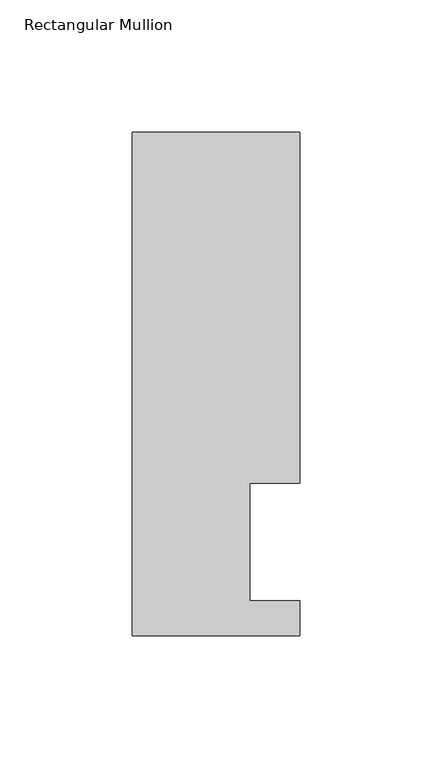
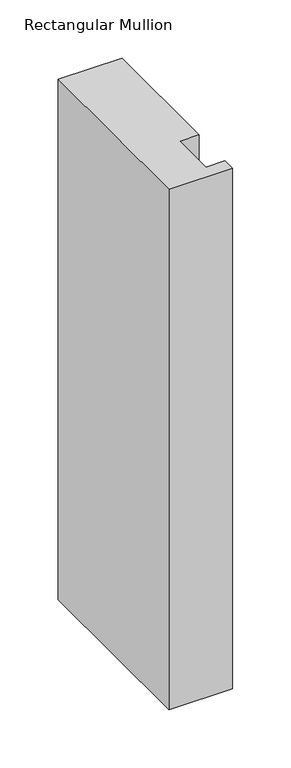
"""IFC4 building model written with IfcOpenShell, lengths in millimetres: member geometry, Rectangular Mullion."""

from ifc_helpers import new_model, si_unit, frame, origin, place, context, project, spatial, polyline, outline, extrude, source, transform, mapped, element, save


def rectangular_mullion_9437ef4c(model_context):
    return source(origin(), model_context, "Body", "SweptSolid", [
        extrude(outline(polyline([(0.0, 57.6460937), (-19.0373, 57.6460937), (-19.0373, 13.1960938), (0.0, 13.1960938), (0.0, 0.0134938), (-63.5, 0.0134938), (-63.5, 190.5896938), (0.0, 190.5896938), (0.0, 57.6460937)])), frame((0.0, 0.0, -546.1), z_axis=(0.0, 0.0, 1.0), x_axis=(1.0, 0.0, 0.0)), (0.0, 0.0, 1.0), 546.1),
    ])


if __name__ == "__main__":
    model = new_model("IFC4")
    model_context = context("Model", 3, world=origin())
    ifc_project = project(units=[si_unit("LENGTHUNIT", "METRE", prefix="MILLI")], contexts=[model_context])
    site = spatial("IfcSite", under=ifc_project)
    building = spatial("IfcBuilding", under=site)
    placement = place(None, origin())
    rectangular_mullion_shape = rectangular_mullion_9437ef4c(model_context)
    element("IfcMember", 1, ObjectType="Rectangular Mullion", at=placement, inside=building, context=model_context, shape_type="MappedRepresentation", body=[
        mapped(rectangular_mullion_shape, transform((0.0, 0.0, 0.0), x_axis=(1.0, 0.0, 0.0), y_axis=(0.0, 1.0, 0.0), z_axis=(0.0, 0.0, 1.0))),
    ])
    save(model, "model.ifc")
